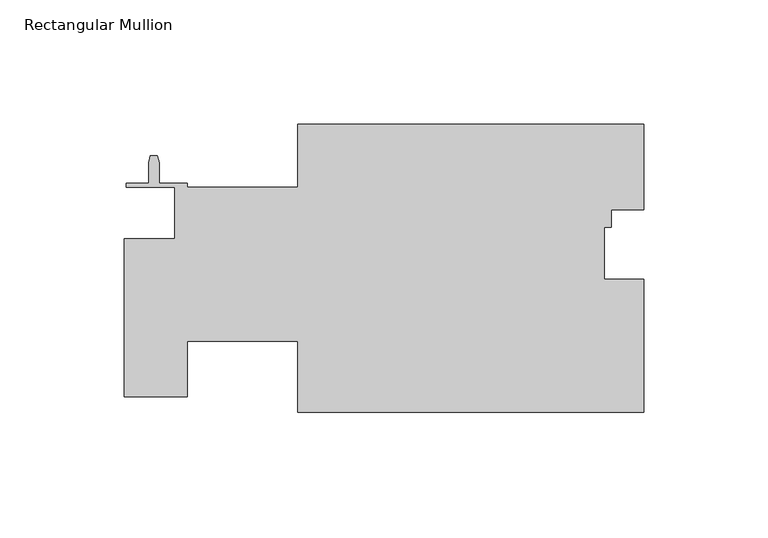
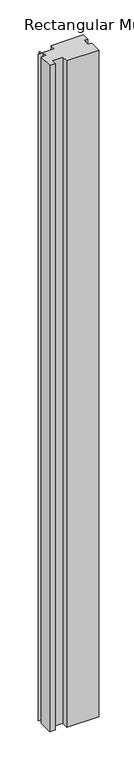
"""IFC4 building model written with IfcOpenShell, lengths in millimetres: member geometry, Rectangular Mullion."""

from ifc_helpers import new_model, si_unit, frame, origin, place, context, project, spatial, polyline, outline, extrude, source, transform, mapped, element, save


def rectangular_mullion_a0128352(model_context):
    return source(origin(), model_context, "Body", "SweptSolid", [
        extrude(outline(polyline([(-183.656265, -61.3757623), (-209.042, -61.3757623), (-209.042, 2.1242377), (-188.7825965, 2.1242377), (-188.7825965, 22.7851605), (-208.2482444, 22.7851605), (-208.2482444, 24.3599605), (-199.2185434, 24.3599605), (-199.2185434, 32.6657424), (-198.5581408, 35.4851503), (-195.7133485, 35.4851503), (-195.0529454, 32.6657424), (-195.0529454, 24.3599605), (-183.6415552, 24.3599605), (-183.6415552, 22.7851605), (-139.1915552, 22.7851605), (-139.1915552, 48.1850473), (0.0, 48.1850473), (0.0, 13.6939364), (-13.0437992, 13.6939364), (-13.0437992, 6.8359366), (-15.8984045, 6.8359366), (-15.8984045, -14.1107163), (0.0, -14.1107163), (0.0, -67.7229748), (-139.1915475, -67.7258088), (-139.1921293, -39.1508755), (-183.656265, -39.1508755), (-183.656265, -61.3757623)])), frame((0.0, 0.0, -3048.0), z_axis=(0.0, 0.0, 1.0), x_axis=(1.0, 0.0, 0.0)), (0.0, 0.0, 1.0), 3048.0),
    ])


if __name__ == "__main__":
    model = new_model("IFC4")
    model_context = context("Model", 3, world=origin())
    ifc_project = project(units=[si_unit("LENGTHUNIT", "METRE", prefix="MILLI")], contexts=[model_context])
    site = spatial("IfcSite", under=ifc_project)
    building = spatial("IfcBuilding", under=site)
    placement = place(None, origin())
    rectangular_mullion_shape = rectangular_mullion_a0128352(model_context)
    element("IfcMember", 1, ObjectType="Rectangular Mullion", at=placement, inside=building, context=model_context, shape_type="MappedRepresentation", body=[
        mapped(rectangular_mullion_shape, transform((0.0, 0.0, 0.0), x_axis=(1.0, 0.0, 0.0), y_axis=(0.0, 1.0, 0.0), z_axis=(0.0, 0.0, 1.0))),
    ])
    save(model, "model.ifc")
